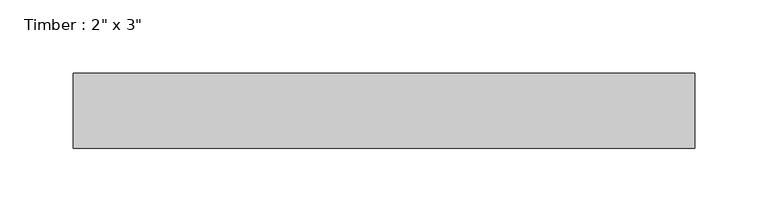
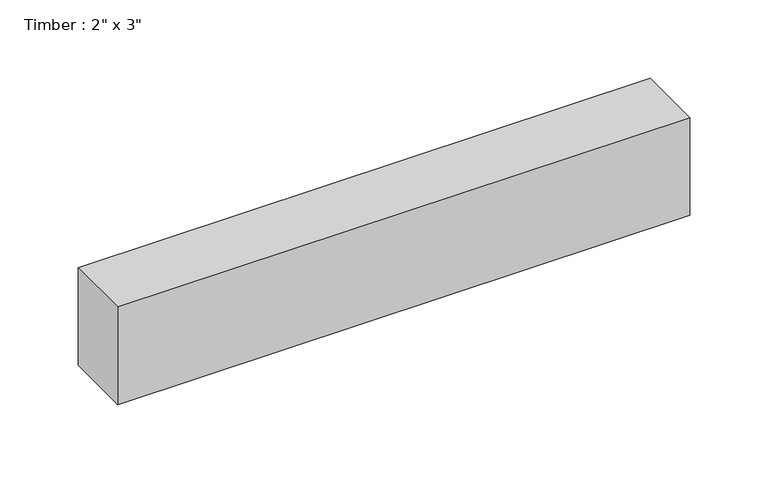
"""IFC4 building model written with IfcOpenShell, lengths in millimetres: beam geometry."""

import ifcopenshell
import ifcopenshell.guid

model = None  # the IFC model being written
_history = None  # IfcOwnerHistory: only IFC2X3 demands one
_inside = {}  # id of a spatial element -> (the spatial element, [elements in it])
_under = {}  # id of a project, library or spatial element -> (it, [spatial elements below it])
_declared = {}  # id of a project -> (the project, [libraries it declares])
_typed = {}  # id of a type object -> (the type object, [elements of that type])
_made_of = {}  # id of a material, layer set ... -> (it, [elements and type objects made of it])


def new_model(schema):
    """Start an empty IFC model of exactly this schema.

    Asked for "IFC4X3", IfcOpenShell would pick the latest addendum, in which some entities
    have other attributes; the version numbers below select the first issue.
    IFC2X3 requires an IfcOwnerHistory on every rooted entity: one is made here for all.
    """
    global model, _history
    if schema == "IFC4X3":
        model = ifcopenshell.file(schema_version=(4, 3, 0, 0))
    else:
        model = ifcopenshell.file(schema=schema)
    _inside.clear()
    _under.clear()
    _declared.clear()
    _typed.clear()
    _made_of.clear()
    _history = None
    if model.schema == "IFC2X3":
        org = make("IfcOrganization", Name="unknown")
        user = make(
            "IfcPersonAndOrganization",
            ThePerson=make("IfcPerson", FamilyName="unknown"),
            TheOrganization=org,
        )
        app = make(
            "IfcApplication",
            ApplicationDeveloper=org,
            Version="unknown",
            ApplicationFullName="unknown",
            ApplicationIdentifier="unknown",
        )
        _history = make(
            "IfcOwnerHistory",
            OwningUser=user,
            OwningApplication=app,
            ChangeAction="ADDED",
            CreationDate=0,
        )
    return model


def make(cls, **values):
    """One entity of the class cls with the attributes given. An attribute that is None is left unset."""
    return model.create_entity(
        cls, **{name: value for name, value in values.items() if value is not None}
    )


def rooted(cls, **values):
    """An entity with a GlobalId (a new one), such as an element, a storey or a relation."""
    return make(cls, GlobalId=ifcopenshell.guid.new(), OwnerHistory=_history, **values)


def si_unit(unit_type, name, prefix=None):
    """IfcSIUnit, for example si_unit("LENGTHUNIT", "METRE", prefix="MILLI")."""
    return make("IfcSIUnit", UnitType=unit_type, Prefix=prefix, Name=name)


def assignment(units):
    """IfcUnitAssignment: the units of a project."""
    return None if units is None else make("IfcUnitAssignment", Units=units)


def point(xyz):
    """IfcCartesianPoint."""
    return None if xyz is None else make("IfcCartesianPoint", Coordinates=xyz)


def direction(xyz):
    """IfcDirection."""
    return None if xyz is None else make("IfcDirection", DirectionRatios=xyz)


def frame(location, z_axis=None, x_axis=None):
    """IfcAxis2Placement3D, a coordinate frame: its origin and axes. An axis left out is left unset."""
    return make(
        "IfcAxis2Placement3D",
        Location=point(location),
        Axis=direction(z_axis),
        RefDirection=direction(x_axis),
    )


def origin():
    """The frame at (0, 0, 0) with its axes left unset."""
    return frame((0.0, 0.0, 0.0))


def place(relative_to, where):
    """IfcLocalPlacement: puts the frame where relative to a parent placement (None: the world)."""
    return make(
        "IfcLocalPlacement", PlacementRelTo=relative_to, RelativePlacement=where
    )


def context(
    kind, dimensions, precision=None, world=None, true_north=None, identifier=None
):
    """IfcGeometricRepresentationContext, for example the 3D "Model" context."""
    return make(
        "IfcGeometricRepresentationContext",
        ContextIdentifier=identifier,
        ContextType=kind,
        CoordinateSpaceDimension=dimensions,
        Precision=precision,
        WorldCoordinateSystem=world,
        TrueNorth=true_north,
    )


def project(units=None, contexts=None):
    """IfcProject with its units and contexts."""
    return rooted(
        "IfcProject",
        Name="project",
        RepresentationContexts=contexts,
        UnitsInContext=assignment(units),
    )


def spatial(cls, under=None, at=None, **own):
    """A site, building, storey or space (cls), placed at a placement, below another one or the project."""
    s = rooted(cls, ObjectPlacement=at, **own)
    if under is not None:
        _under.setdefault(under.id(), (under, []))[1].append(s)
    return s


def polyline(points):
    """IfcPolyline through the points."""
    return make("IfcPolyline", Points=[point(p) for p in points])


def outline(outer, holes=None, kind="AREA"):
    """IfcArbitraryClosedProfileDef: a profile drawn as a closed curve; with holes, ...WithVoids."""
    if holes is None:
        return make("IfcArbitraryClosedProfileDef", ProfileType=kind, OuterCurve=outer)
    return make(
        "IfcArbitraryProfileDefWithVoids",
        ProfileType=kind,
        OuterCurve=outer,
        InnerCurves=holes,
    )


def extrude(swept, where, along, depth):
    """IfcExtrudedAreaSolid: the profile swept, set in the frame where, extruded along a direction by depth."""
    return make(
        "IfcExtrudedAreaSolid",
        SweptArea=swept,
        Position=where,
        ExtrudedDirection=direction(along),
        Depth=depth,
    )


def shape(context_of_items, identifier, shape_type, items):
    """IfcShapeRepresentation: the items that make up one representation, for example the "Body"."""
    return make(
        "IfcShapeRepresentation",
        ContextOfItems=context_of_items,
        RepresentationIdentifier=identifier,
        RepresentationType=shape_type,
        Items=items,
    )


def source(mapping_origin, context_of_items, identifier, shape_type, items):
    """IfcRepresentationMap: a shape defined once, which mapped items show again and again."""
    return make(
        "IfcRepresentationMap",
        MappingOrigin=mapping_origin,
        MappedRepresentation=shape(context_of_items, identifier, shape_type, items),
    )


def transform(
    local_origin,
    x_axis=None,
    y_axis=None,
    z_axis=None,
    scale=None,
    scale2=None,
    scale3=None,
    uniform=True,
):
    """IfcCartesianTransformationOperator3D, or its non-uniform kind. x_axis, y_axis, z_axis: its Axis1, 2, 3."""
    if uniform:
        return make(
            "IfcCartesianTransformationOperator3D",
            Axis1=direction(x_axis),
            Axis2=direction(y_axis),
            LocalOrigin=point(local_origin),
            Scale=scale,
            Axis3=direction(z_axis),
        )
    return make(
        "IfcCartesianTransformationOperator3DnonUniform",
        Axis1=direction(x_axis),
        Axis2=direction(y_axis),
        LocalOrigin=point(local_origin),
        Scale=scale,
        Axis3=direction(z_axis),
        Scale2=scale2,
        Scale3=scale3,
    )


def mapped(mapping_source, mapping_target):
    """IfcMappedItem: shows the shape of a source again, moved by a transform."""
    return make(
        "IfcMappedItem", MappingSource=mapping_source, MappingTarget=mapping_target
    )


def made_of(thing, what):
    """Note that an element or type object is made of a material, layer set ...; save() writes the relation."""
    if what is not None:
        _made_of.setdefault(what.id(), (what, []))[1].append(thing)
    return thing


def element(
    cls,
    number,
    at=None,
    inside=None,
    cuts=None,
    type_object=None,
    material=None,
    context=None,
    identifier="Body",
    shape_type=None,
    held_by="IfcProductDefinitionShape",
    body=None,
    shapes=None,
    **own,
):
    """One element of the class cls, such as IfcWall. Its Tag is "e" and its number.

    at: its placement. inside: the storey or other place that contains it. cuts: it is an
    opening in that element (IfcRelVoidsElement). A single representation is given by context,
    identifier, shape_type and body (its items); several are given by shapes. held_by: the class
    of the entity that holds the representations. save() writes the other relations.
    """
    e = rooted(cls, Tag="e%d" % number, ObjectPlacement=at, **own)
    if body is not None:
        shapes = [shape(context, identifier, shape_type, body)]
    if shapes is not None:
        e.Representation = make(held_by, Representations=shapes)
    if inside is not None:
        _inside.setdefault(inside.id(), (inside, []))[1].append(e)
    if cuts is not None:
        rooted(
            "IfcRelVoidsElement", RelatingBuildingElement=cuts, RelatedOpeningElement=e
        )
    if type_object is not None:
        _typed.setdefault(type_object.id(), (type_object, []))[1].append(e)
    return made_of(e, material)


def aggregate(whole, parts):
    """IfcRelAggregates: a whole, such as a stair, and the parts it consists of."""
    return rooted("IfcRelAggregates", RelatingObject=whole, RelatedObjects=parts)


def save(model, path):
    """Write the relations noted so far, then the file.

    IfcRelAggregates (storeys below a building ...), IfcRelContainedInSpatialStructure (elements
    in a storey), IfcRelDefinesByType, IfcRelAssociatesMaterial and IfcRelDeclares: one each for
    every whole, place, type object, material and project.
    """
    for whole, parts in _under.values():
        aggregate(whole, parts)
    for where, things in _inside.values():
        rooted(
            "IfcRelContainedInSpatialStructure",
            RelatedElements=things,
            RelatingStructure=where,
        )
    for kind, things in _typed.values():
        rooted("IfcRelDefinesByType", RelatedObjects=things, RelatingType=kind)
    for what, things in _made_of.values():
        rooted("IfcRelAssociatesMaterial", RelatedObjects=things, RelatingMaterial=what)
    for by, libraries in _declared.values():
        rooted("IfcRelDeclares", RelatingContext=by, RelatedDefinitions=libraries)
    model.write(path)


def beam_46912e44(model_context):
    return source(origin(), model_context, "Body", "SweptSolid", [
        extrude(outline(polyline([(211.4223029, 25.4), (211.4223029, -25.4), (-211.4223029, -25.4), (-211.4223029, 25.4), (211.4223029, 25.4)])), frame((0.0, 0.0, -38.1), z_axis=(0.0, 0.0, 1.0), x_axis=(1.0, 0.0, 0.0)), (0.0, 0.0, 1.0), 76.2),
    ])


if __name__ == "__main__":
    model = new_model("IFC4")
    model_context = context("Model", 3, world=origin())
    ifc_project = project(units=[si_unit("LENGTHUNIT", "METRE", prefix="MILLI")], contexts=[model_context])
    site = spatial("IfcSite", under=ifc_project)
    building = spatial("IfcBuilding", under=site)
    placement = place(None, origin())
    beam_shape = beam_46912e44(model_context)
    element("IfcBeam", 1, ObjectType="Timber : 2\" x 3\"", at=placement, inside=building, context=model_context, shape_type="MappedRepresentation", body=[
        mapped(beam_shape, transform((0.0, 0.0, 0.0), x_axis=(1.0, 0.0, 0.0), y_axis=(0.0, 1.0, 0.0), z_axis=(0.0, 0.0, 1.0))),
    ])
    save(model, "model.ifc")
